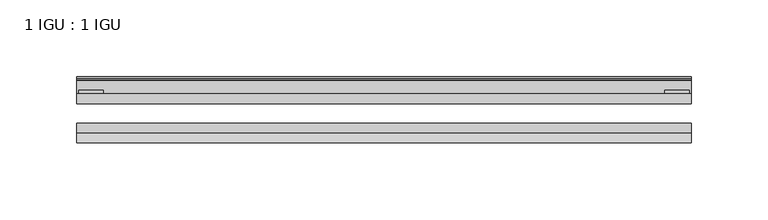
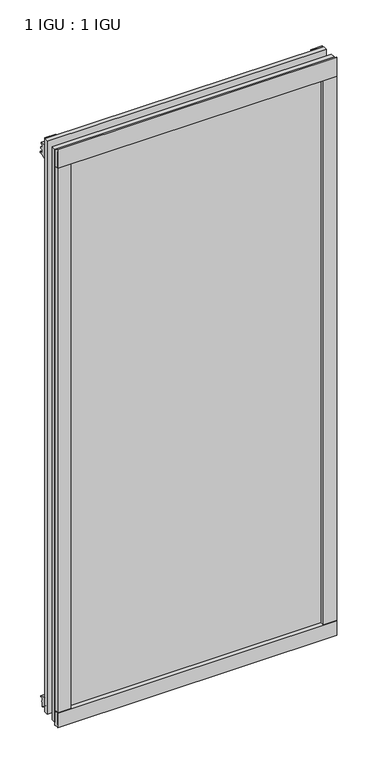
"""IFC4 building model written with IfcOpenShell, lengths in millimetres: plate geometry, 1 IGU : 1 IGU."""

from ifc_helpers import new_model, si_unit, point, frame, frame_2d, origin, place, context, project, spatial, polyline, circle_curve, trimmed, segment, composite_curve, outline, extrude, source, transform, mapped, element, save


def plate_1_igu_1_igu_a54902b8(model_context):
    return source(origin(), model_context, "Body", "SweptSolid", [
        extrude(outline(polyline([(200.0261906, 0.0021347), (200.0261906, -6.2992), (-200.0261906, -6.2992), (-200.0261906, 0.0021347), (200.0261906, 0.0021347)])), frame((0.0, 0.0, -17.4498), z_axis=(0.0, 0.0, 1.0), x_axis=(1.0, 0.0, 0.0)), (0.0, 0.0, 1.0), 868.3366072),
        extrude(outline(polyline([(-200.0261906, -19.0986653), (200.0261906, -19.0986653), (200.0261906, -25.3978653), (-200.0261906, -25.3978653), (-200.0261906, -19.0986653)])), frame((0.0, 0.0, -17.4498), z_axis=(0.0, 0.0, 1.0), x_axis=(1.0, 0.0, 0.0)), (0.0, 0.0, 1.0), 868.3366072),
        extrude(outline(composite_curve([segment(polyline([(-31.75, 0.0), (-25.4, 0.0), (-25.4, -22.225)]), True, "CONTINUOUS"), segment(trimmed(circle_curve(frame_2d((-28.575, -28.9113452)), 7.4018806), [point((-25.4, -22.225))], [point((-31.75, -22.225))], True, "CARTESIAN"), True, "CONTINUOUS"), segment(polyline([(-31.75, -22.225), (-31.75, 0.0)]), True, "CONTINUOUS")], self_intersect=False)), frame((-200.0261906, 0.0, 0.0), z_axis=(1.0, 0.0, 0.0), x_axis=(0.0, 1.0, 0.0)), (0.0, 0.0, 1.0), 400.0523813),
        extrude(outline(composite_curve([segment(trimmed(circle_curve(frame_2d((13.6593785, 32.4202472)), 31.3046461), [point((0.0, 4.2528503))], [point((9.3980339, 1.406995))], True, "CARTESIAN"), True, "CONTINUOUS"), segment(polyline([(9.3980339, 1.406995), (9.3980339, 0.0254), (6.35, 0.0254), (6.35, -5.1625788), (7.7309478, -5.3970663), (6.35, -8.0073788), (6.35, -11.8471127)]), True, "CONTINUOUS"), segment(trimmed(circle_curve(frame_2d((5.334, -11.8471127)), 1.016), [point((6.35, -11.8471127))], [point((4.6284878, -12.5782136))], False, "CARTESIAN"), True, "CONTINUOUS"), segment(trimmed(circle_curve(frame_2d((-23.3689302, -41.5910901)), 40.3187601), [point((4.6284878, -12.5782136))], [point((0.0, -8.735413))], True, "CARTESIAN"), True, "CONTINUOUS"), segment(polyline([(0.0, -8.735413), (0.0, 4.2528503)]), True, "CONTINUOUS")], self_intersect=False)), frame((-200.0261906, 0.0, 0.0), z_axis=(1.0, 0.0, 0.0), x_axis=(0.0, 1.0, 0.0)), (0.0, 0.0, 1.0), 400.0523813),
        extrude(outline(composite_curve([segment(polyline([(8.509, 840.7300284), (8.509, 838.6980284), (6.35, 838.6980284), (6.35, 833.3640284), (8.9492698, 833.3640284)]), True, "CONTINUOUS"), segment(trimmed(circle_curve(frame_2d((8.208689, 831.8368072)), 1.697311), [point((8.9492698, 833.3640284))], [point((8.962411, 830.3160284))], False, "CARTESIAN"), True, "CONTINUOUS"), segment(polyline([(8.962411, 830.3160284), (6.35, 830.3160284), (6.35, 825.4868072), (11.1252, 825.4868072), (11.1252, 824.5978072)]), True, "CONTINUOUS"), segment(trimmed(circle_curve(frame_2d((10.1092, 824.5978072)), 1.016), [point((11.1252, 824.5978072))], [point((10.1092, 823.5818072))], False, "CARTESIAN"), True, "CONTINUOUS"), segment(trimmed(circle_curve(frame_2d((10.1092, 804.1707318)), 19.4110754), [point((10.1092, 823.5818072))], [point((0.0, 820.7416075))], True, "CARTESIAN"), True, "CONTINUOUS"), segment(polyline([(0.0, 820.7416075), (0.0, 840.7300284), (8.509, 840.7300284)]), True, "CONTINUOUS")], self_intersect=False)), frame((-200.0261906, 0.0, 0.0), z_axis=(1.0, 0.0, 0.0), x_axis=(0.0, 1.0, 0.0)), (0.0, 0.0, 1.0), 400.0523813),
        extrude(outline(composite_curve([segment(polyline([(-25.4, 850.8868072), (-25.4, 825.4868072), (-31.75, 825.4868072), (-31.75, 853.6597045)]), True, "CONTINUOUS"), segment(trimmed(circle_curve(frame_2d((-24.1401272, 862.4292187)), 11.6109665), [point((-31.75, 853.6597045))], [point((-25.4, 850.8868072))], True, "CARTESIAN"), True, "CONTINUOUS")], self_intersect=False)), frame((-200.0261906, 0.0, 0.0), z_axis=(1.0, 0.0, 0.0), x_axis=(0.0, 1.0, 0.0)), (0.0, 0.0, 1.0), 400.0523813),
        extrude(outline(composite_curve([segment(polyline([(180.9761906, -25.4), (200.0261906, -25.4)]), True, "CONTINUOUS"), segment(trimmed(circle_curve(frame_2d((209.4923413, -28.575)), 9.9844196), [point((200.0261906, -25.4))], [point((200.0261906, -31.75))], True, "CARTESIAN"), True, "CONTINUOUS"), segment(polyline([(200.0261906, -31.75), (180.9761906, -31.75), (180.9761906, -25.4)]), True, "CONTINUOUS")], self_intersect=False)), frame((0.0, 0.0, -17.4498), z_axis=(0.0, 0.0, 1.0), x_axis=(1.0, 0.0, 0.0)), (0.0, 0.0, 1.0), 868.3366072),
        extrude(outline(polyline([(198.8196906, 2.2860088), (198.8196906, 0.0021347), (182.9446906, 0.0021347), (182.9446906, 2.2860088), (198.8196906, 2.2860088)])), frame((0.0, 0.0, -17.4498), z_axis=(0.0, 0.0, 1.0), x_axis=(1.0, 0.0, 0.0)), (0.0, 0.0, 1.0), 868.3366072),
        extrude(outline(composite_curve([segment(trimmed(circle_curve(frame_2d((-209.4923413, -28.575)), 9.9844196), [point((-200.0261906, -31.75))], [point((-200.0261906, -25.4))], True, "CARTESIAN"), True, "CONTINUOUS"), segment(polyline([(-200.0261906, -25.4), (-180.9761906, -25.4), (-180.9761906, -31.75), (-200.0261906, -31.75)]), True, "CONTINUOUS")], self_intersect=False)), frame((0.0, 0.0, -17.4498), z_axis=(0.0, 0.0, 1.0), x_axis=(1.0, 0.0, 0.0)), (0.0, 0.0, 1.0), 868.3366072),
        extrude(outline(polyline([(-198.8196906, 0.0), (-198.8196906, 2.286), (-182.9446906, 2.286), (-182.9446906, 0.0), (-198.8196906, 0.0)])), frame((0.0, 0.0, -17.4498), z_axis=(0.0, 0.0, 1.0), x_axis=(1.0, 0.0, 0.0)), (0.0, 0.0, 1.0), 868.3366072),
    ])


if __name__ == "__main__":
    model = new_model("IFC4")
    model_context = context("Model", 3, world=origin())
    ifc_project = project(units=[si_unit("LENGTHUNIT", "METRE", prefix="MILLI")], contexts=[model_context])
    site = spatial("IfcSite", under=ifc_project)
    building = spatial("IfcBuilding", under=site)
    placement = place(None, origin())
    plate_1_igu_1_igu_shape = plate_1_igu_1_igu_a54902b8(model_context)
    element("IfcPlate", 1, ObjectType="1 IGU : 1 IGU", at=placement, inside=building, context=model_context, shape_type="MappedRepresentation", body=[
        mapped(plate_1_igu_1_igu_shape, transform((0.0, 0.0, 0.0), x_axis=(1.0, 0.0, 0.0), y_axis=(0.0, 1.0, 0.0), z_axis=(0.0, 0.0, 1.0))),
    ])
    save(model, "model.ifc")
